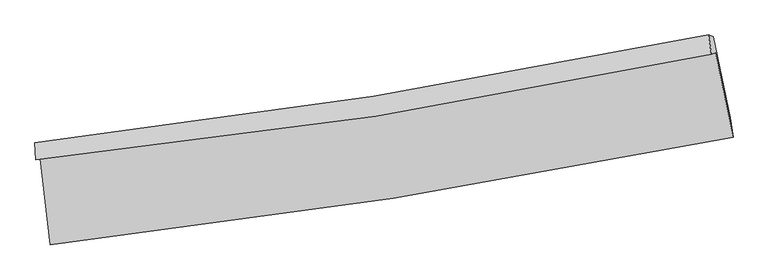
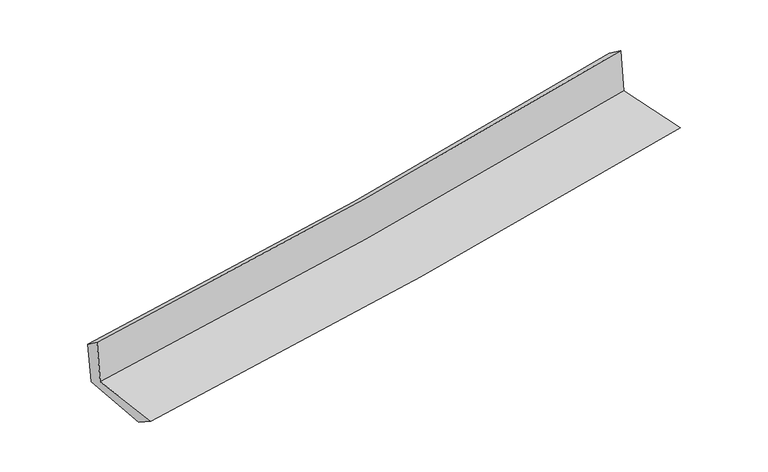
"""IFC4 building model written with IfcOpenShell, lengths in millimetres: proxy geometry."""

from ifc_helpers import new_model, si_unit, frame, origin, place, context, project, spatial, source, transform, mapped, element, save
from ifc_brep_helpers import plane_surface, spline_curve, spline_surface, advanced_brep


def generic_models_22333851(model_context):
    return source(origin(), model_context, "Body", "AdvancedBrep", [
        advanced_brep(
        [(-2607.4241572, -1886.224536, 1649.6770967), (-2531.2135441, -2543.1551911, 1649.0019991), (2683.3487462, -1723.3466361, 2103.5960761), (2550.0715928, -1077.2707719, 2108.908379), (-2640.0381657, -1894.619742, 2042.2266301), (2517.2901736, -1090.1321705, 2509.4654864), (-2646.7411358, -1763.8485185, 1943.3936224), (2496.6384901, -942.4129268, 2399.6339996), (-2615.3634783, -1763.2779069, 1575.8949675), (2532.3610434, -955.9263846, 2027.1239846), (-2541.2568077, -2374.7411395, 1538.2086594), (2660.8419156, -1574.8324109, 2012.8931924)],
        [
            (0, 1),
            (1, 2, spline_curve(3, [(-2531.2135441, -2543.1551911, 1649.0019991), (-1655.795698775, -2443.732509596, 1729.046384625), (-782.743241464, -2325.543325375, 1807.017434079), (955.426811771, -2052.135941738, 1958.533561911), (1820.561784533, -1897.05560742, 2032.093871245), (2683.3487462, -1723.3466361, 2103.5960761)], [4, 2, 4], [0.0, 8.662099975369467, 17.292323853822115])),
            (2, 3),
            (3, 0, spline_curve(3, [(2550.0715928, -1077.2707719, 2108.908379), (1697.399182176, -1244.904857576, 2033.536571623), (842.068835998, -1396.040915726, 1957.652883984), (-877.076743206, -1665.814267934, 1804.579578355), (-1740.911647082, -1784.329464505, 1727.386171698), (-2607.4241572, -1886.224536, 1649.6770967)], [4, 2, 4], [0.0, 8.630223878452648, 17.292323853822115])),
            (4, 0),
            (3, 5),
            (5, 4, spline_curve(3, [(2517.2901736, -1090.1321705, 2509.4654864), (1666.32329475, -1271.789854908, 2439.63943108), (811.861185885, -1429.579825997, 2365.86889092), (-907.222393403, -1697.918988124, 2210.151797548), (-1771.869731043, -1808.291540993, 2128.176052105), (-2640.0381657, -1894.619742, 2042.2266301)], [4, 2, 4], [0.0, 8.583827472654212, 17.199359675138055])),
            (6, 4),
            (5, 7),
            (7, 6, spline_curve(3, [(2496.6384901, -942.4129268, 2399.6339996), (1647.501416904, -1117.07141262, 2325.118443613), (795.11400885, -1272.762465991, 2249.911994833), (-919.321811644, -1546.714702887, 2097.836982327), (-1781.394278749, -1664.835513114, 2020.96330509), (-2646.7411358, -1763.8485185, 1943.3936224)], [4, 2, 4], [0.0, 8.574182518900647, 17.180034143586294])),
            (8, 6),
            (7, 9),
            (9, 8, spline_curve(3, [(2532.3610434, -955.9263846, 2027.1239846), (1681.593376875, -1123.205482858, 1951.897322952), (828.028428209, -1274.030691857, 1876.75074129), (-887.859043929, -1543.269636494, 1726.34047601), (-1750.202268979, -1661.561601986, 1651.077385573), (-2615.3634783, -1763.2779069, 1575.8949675)], [4, 2, 4], [0.0, 8.564641799367157, 17.160917465468188])),
            (10, 8),
            (9, 11),
            (11, 10, spline_curve(3, [(2660.8419156, -1574.8324109, 2012.8931924), (1800.478527092, -1746.669540389, 1936.584563795), (937.592379546, -1899.160017399, 1858.94857457), (-796.421858146, -2165.93943975, 1700.730220557), (-1667.568618269, -2280.085205324, 1620.138032075), (-2541.2568077, -2374.7411395, 1538.2086594)], [4, 2, 4], [0.0, 8.610575780071533, 17.252955085977483])),
            (1, 10),
            (11, 2),
        ],
        [
            spline_surface(3, 3, [[(-2607.4241572, -1886.224536, 1649.6770967), (-1740.911647159, -1784.3294645, 1727.386171699), (-877.076743269, -1665.814267883, 1804.579578264), (842.068836062, -1396.040915777, 1957.652884075), (1697.399182201, -1244.904857713, 2033.536571617), (2550.0715928, -1077.2707719, 2108.908379)], [(-2582.020619523, -2105.20142103, 1649.452064141), (-1712.539664345, -2004.130479545, 1727.939575996), (-845.632242648, -1885.723953723, 1805.39219693), (879.854827946, -1614.739257718, 1957.946443324), (1738.453382985, -1462.28844098, 2033.055671473), (2594.497310599, -1292.629393294, 2107.137611371)], [(-2556.617081777, -2324.17830607, 1649.227031659), (-1684.167681461, -2223.931494599, 1728.492980371), (-814.187742027, -2105.633639618, 1806.20481555), (917.640819829, -1833.437599714, 1958.240002526), (1779.507583771, -1679.672024267, 2032.574771315), (2638.923028401, -1507.988014706, 2105.366843729)], [(-2531.2135441, -2543.1551911, 1649.0019991), (-1655.795698647, -2443.732509644, 1729.046384667), (-782.743241406, -2325.543325458, 1807.017434216), (955.426811714, -2052.135941655, 1958.533561774), (1820.561784554, -1897.055607534, 2032.093871171), (2683.3487462, -1723.3466361, 2103.5960761)]], [4, 4], [4, 2, 4], [0.0, 2.185237538831806], [0.0, 8.662099975369467, 17.292323853822115]),
            spline_surface(3, 3, [[(-2640.0381657, -1894.619742, 2042.2266301), (-1771.869730954, -1808.291541083, 2128.176052241), (-907.22239336, -1697.918988197, 2210.151797534), (811.861185841, -1429.579825925, 2365.868890935), (1666.323294661, -1271.789854997, 2439.639431032), (2517.2901736, -1090.1321705, 2509.4654864)], [(-2629.166829525, -1891.821340003, 1911.376785663), (-1761.55036968, -1800.304182225, 1994.579425424), (-897.173843335, -1687.217414777, 2074.961057771), (821.930402576, -1418.400189228, 2229.796888642), (1676.681923826, -1262.828189239, 2304.271811232), (2528.217313319, -1085.845037636, 2375.946450605)], [(-2618.295493375, -1889.022937997, 1780.526941137), (-1751.231008433, -1792.316823357, 1860.982798517), (-887.125293294, -1676.515841302, 1939.770318027), (831.999619327, -1407.220552474, 2093.724886368), (1687.040553035, -1253.866523471, 2168.904191417), (2539.144453081, -1081.557904764, 2242.427414795)], [(-2607.4241572, -1886.224536, 1649.6770967), (-1740.911647159, -1784.3294645, 1727.386171699), (-877.076743269, -1665.814267883, 1804.579578264), (842.068836062, -1396.040915777, 1957.652884075), (1697.399182201, -1244.904857713, 2033.536571617), (2550.0715928, -1077.2707719, 2108.908379)]], [4, 4], [4, 2, 4], [0.0, 1.3429281308900207], [0.0, 8.615532202483843, 17.199359675138055]),
            spline_surface(3, 3, [[(-2646.7411358, -1763.8485185, 1943.3936224), (-1781.394278815, -1664.835513184, 2020.963305173), (-919.321811616, -1546.714702777, 2097.836982274), (795.114008822, -1272.7624661, 2249.911994886), (1647.501416965, -1117.071412589, 2325.118443546), (2496.6384901, -942.4129268, 2399.6339996)], [(-2644.506812449, -1807.438926326, 1976.337958274), (-1778.219429544, -1712.654189143, 2056.700887503), (-915.288672194, -1597.116131249, 2135.275254039), (800.696401164, -1325.034919374, 2288.56429358), (1653.775376211, -1168.644226699, 2363.292106051), (2503.522384614, -991.652674674, 2436.24449521)], [(-2642.272489051, -1851.029334174, 2009.282294226), (-1775.044580225, -1760.472865124, 2092.438469911), (-911.255532781, -1647.517559724, 2172.713525769), (806.278793499, -1377.307372651, 2327.21659224), (1660.049335415, -1220.217040887, 2401.465768527), (2510.406279086, -1040.892422626, 2472.85499079)], [(-2640.0381657, -1894.619742, 2042.2266301), (-1771.869730954, -1808.291541083, 2128.176052241), (-907.22239336, -1697.918988197, 2210.151797534), (811.861185841, -1429.579825925, 2365.868890935), (1666.323294661, -1271.789854997, 2439.639431032), (2517.2901736, -1090.1321705, 2509.4654864)]], [4, 4], [4, 2, 4], [0.0, 0.630650217373789], [0.0, 8.605851624685647, 17.180034143586294]),
            spline_surface(3, 3, [[(-2615.3634783, -1763.2779069, 1575.8949675), (-1750.202269013, -1661.561601862, 1651.07738554), (-887.85904386, -1543.269636588, 1726.340476145), (828.02842814, -1274.030691763, 1876.750741156), (1681.593376845, -1123.205482903, 1951.897322927), (2532.3610434, -955.9263846, 2027.1239846)], [(-2625.822697435, -1763.468110787, 1698.394519137), (-1760.599605582, -1662.652905656, 1774.372692088), (-898.346633104, -1544.417991988, 1850.172644843), (817.056955042, -1273.607949879, 2001.137825722), (1670.229390207, -1121.160792811, 2076.304363128), (2520.453525622, -951.421898679, 2151.293989595)], [(-2636.281916665, -1763.658314613, 1820.894070763), (-1770.996942245, -1663.74420939, 1897.667998625), (-908.834222372, -1545.566347377, 1974.004813575), (806.08548192, -1273.185207985, 2125.52491032), (1658.865403603, -1119.116102681, 2200.711403345), (2508.546007878, -946.917412721, 2275.463994605)], [(-2646.7411358, -1763.8485185, 1943.3936224), (-1781.394278815, -1664.835513184, 2020.963305173), (-919.321811616, -1546.714702777, 2097.836982274), (795.114008822, -1272.7624661, 2249.911994886), (1647.501416965, -1117.071412589, 2325.118443546), (2496.6384901, -942.4129268, 2399.6339996)]], [4, 4], [4, 2, 4], [0.0, 1.2261023284200896], [0.0, 8.59627566610103, 17.160917465468188]),
            spline_surface(3, 3, [[(-2541.2568077, -2374.7411395, 1538.2086594), (-1667.568618261, -2280.085205375, 1620.13803199), (-796.421858061, -2165.939439641, 1700.730220453), (937.592379461, -1899.160017508, 1858.948574675), (1800.478527017, -1746.66954033, 1936.5845639), (2660.8419156, -1574.8324109, 2012.8931924)], [(-2565.959031246, -2170.920061964, 1550.77076211), (-1695.113168525, -2073.910670867, 1630.45114985), (-826.90092, -1958.382838607, 1709.266972356), (901.071062348, -1690.783575576, 1864.882630174), (1760.850143629, -1538.848187846, 1941.688816925), (2618.014958203, -1368.530402125, 2017.636789816)], [(-2590.661254754, -1967.098984436, 1563.33286479), (-1722.657718749, -1867.736136369, 1640.764267679), (-857.379981921, -1750.826237622, 1717.803724242), (864.549745253, -1482.407133695, 1870.816685656), (1721.221760233, -1331.026835387, 1946.793069902), (2575.188000797, -1162.228393375, 2022.380387184)], [(-2615.3634783, -1763.2779069, 1575.8949675), (-1750.202269013, -1661.561601862, 1651.07738554), (-887.85904386, -1543.269636588, 1726.340476145), (828.02842814, -1274.030691763, 1876.750741156), (1681.593376845, -1123.205482903, 1951.897322927), (2532.3610434, -955.9263846, 2027.1239846)]], [4, 4], [4, 2, 4], [0.0, 2.0744935303520995], [0.0, 8.64237930590595, 17.252955085977483]),
            spline_surface(3, 3, [[(-2531.2135441, -2543.1551911, 1649.0019991), (-1655.795698647, -2443.732509644, 1729.046384667), (-782.743241406, -2325.543325458, 1807.017434216), (955.426811714, -2052.135941655, 1958.533561774), (1820.561784554, -1897.055607534, 2032.093871171), (2683.3487462, -1723.3466361, 2103.5960761)], [(-2534.561298621, -2487.01717389, 1612.070885875), (-1659.720005173, -2389.183408211, 1692.74360045), (-787.302780291, -2272.3420302, 1771.588362946), (949.482000963, -2001.143966953, 1925.338566059), (1813.867365384, -1846.926918492, 2000.257435384), (2675.846469342, -1673.841894392, 2073.361781504)], [(-2537.909053179, -2430.87915671, 1575.139772625), (-1663.644311736, -2334.634306808, 1656.440816207), (-791.862319175, -2219.140734899, 1736.159291722), (943.537190212, -1950.15199221, 1892.14357039), (1807.172946187, -1796.798229373, 1968.420999687), (2668.344192458, -1624.337152608, 2043.127486996)], [(-2541.2568077, -2374.7411395, 1538.2086594), (-1667.568618261, -2280.085205375, 1620.13803199), (-796.421858061, -2165.939439641, 1700.730220453), (937.592379461, -1899.160017508, 1858.948574675), (1800.478527017, -1746.66954033, 1936.5845639), (2660.8419156, -1574.8324109, 2012.8931924)]], [4, 4], [4, 2, 4], [0.0, 0.6162109570961495], [0.0, 8.698509776827029, 17.36500947047949]),
            plane_surface(frame((2573.4253269, -1227.3202168, 2193.6035197), z_axis=(0.975864521241024, 0.20059868005375925, 0.08630530542044709), x_axis=(-0.09539678871975121, 0.036087579268170036, 0.9947849714006152))),
            plane_surface(frame((-2597.0062148, -2037.6445057, 1733.0671625), z_axis=(-0.9897794718518764, -0.11473741954115291, -0.08468719890076874), x_axis=(-0.11523721333119992, 0.9933374766993573, 0.001020807628009986))),
        ],
        [
            (0, [[1, 2, 3, 4]]),
            (1, [[5, -4, 6, 7]]),
            (2, [[8, -7, 9, 10]]),
            (3, [[11, -10, 12, 13]]),
            (4, [[14, -13, 15, 16]]),
            (5, [[17, -16, 18, -2]]),
            (6, [[-12, -9, -6, -3, -18, -15]]),
            (7, [[-1, -5, -8, -11, -14, -17]]),
        ],
    ),
    ])


if __name__ == "__main__":
    model = new_model("IFC4")
    model_context = context("Model", 3, world=origin())
    ifc_project = project(units=[si_unit("LENGTHUNIT", "METRE", prefix="MILLI")], contexts=[model_context])
    site = spatial("IfcSite", under=ifc_project)
    building = spatial("IfcBuilding", under=site)
    placement = place(None, origin())
    generic_models_shape = generic_models_22333851(model_context)
    element("IfcBuildingElementProxy", 1, Name="Generic Models", at=placement, inside=building, context=model_context, shape_type="MappedRepresentation", body=[
        mapped(generic_models_shape, transform((0.0, 0.0, 0.0), x_axis=(1.0, 0.0, 0.0), y_axis=(0.0, 1.0, 0.0), z_axis=(0.0, 0.0, 1.0))),
    ])
    save(model, "model.ifc")
